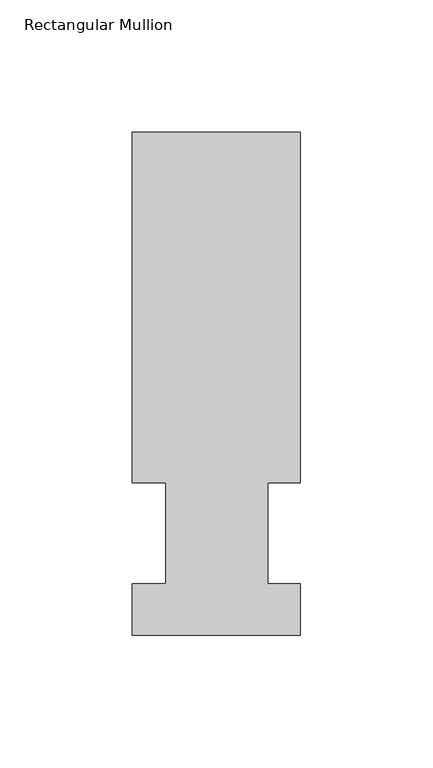
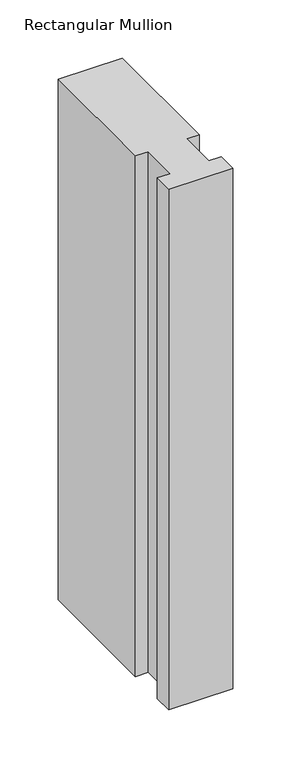
"""IFC4 building model written with IfcOpenShell, lengths in millimetres: member geometry, Rectangular Mullion."""

from ifc_helpers import new_model, si_unit, frame, origin, place, context, project, spatial, polyline, outline, extrude, source, transform, mapped, element, save


def rectangular_mullion_853eec6a(model_context):
    return source(origin(), model_context, "Body", "SweptSolid", [
        extrude(outline(polyline([(-63.5, 57.6460937), (-63.5, 190.0816937), (0.0, 190.0816937), (0.0, 57.6460937), (-12.3418395, 57.6460937), (-12.3418395, 19.5460937), (0.0, 19.5460937), (0.0, 0.0134938), (-63.5, 0.0134938), (-63.5, 19.5460937), (-50.8, 19.5460937), (-50.8, 57.6460937), (-63.5, 57.6460937)])), frame((0.0, 0.0, -546.1), z_axis=(0.0, 0.0, 1.0), x_axis=(1.0, 0.0, 0.0)), (0.0, 0.0, 1.0), 546.1),
    ])


if __name__ == "__main__":
    model = new_model("IFC4")
    model_context = context("Model", 3, world=origin())
    ifc_project = project(units=[si_unit("LENGTHUNIT", "METRE", prefix="MILLI")], contexts=[model_context])
    site = spatial("IfcSite", under=ifc_project)
    building = spatial("IfcBuilding", under=site)
    placement = place(None, origin())
    rectangular_mullion_shape = rectangular_mullion_853eec6a(model_context)
    element("IfcMember", 1, ObjectType="Rectangular Mullion", at=placement, inside=building, context=model_context, shape_type="MappedRepresentation", body=[
        mapped(rectangular_mullion_shape, transform((0.0, 0.0, 0.0), x_axis=(1.0, 0.0, 0.0), y_axis=(0.0, 1.0, 0.0), z_axis=(0.0, 0.0, 1.0))),
    ])
    save(model, "model.ifc")
